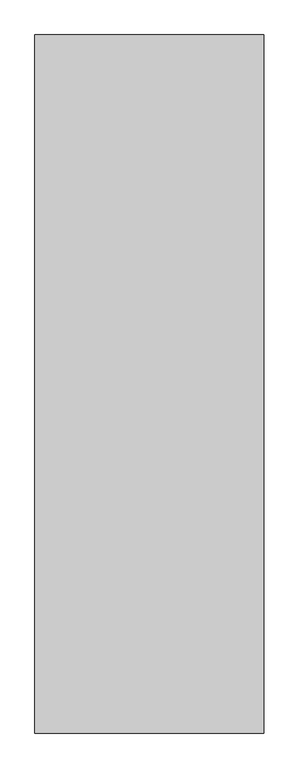
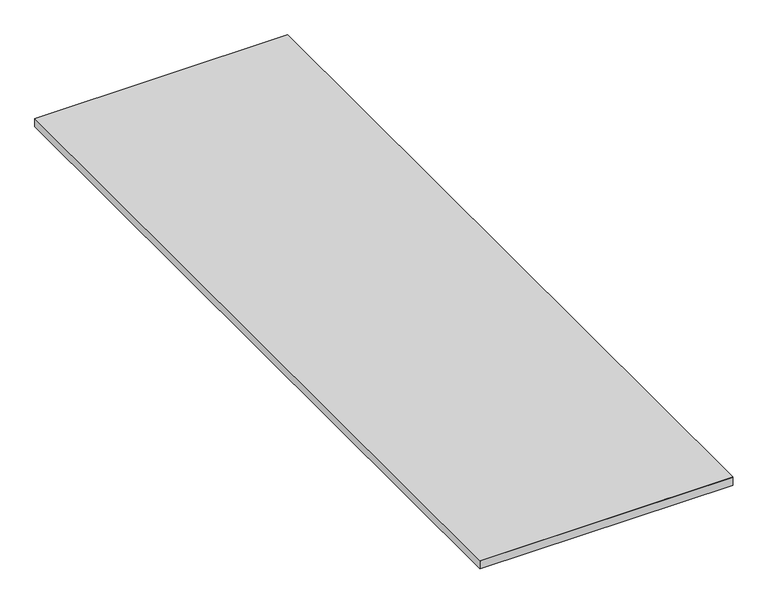
"""IFC4 building model written with IfcOpenShell, lengths in millimetres: furniture geometry."""

import ifcopenshell
import ifcopenshell.guid

model = None  # the IFC model being written
_history = None  # IfcOwnerHistory: only IFC2X3 demands one
_inside = {}  # id of a spatial element -> (the spatial element, [elements in it])
_under = {}  # id of a project, library or spatial element -> (it, [spatial elements below it])
_declared = {}  # id of a project -> (the project, [libraries it declares])
_typed = {}  # id of a type object -> (the type object, [elements of that type])
_made_of = {}  # id of a material, layer set ... -> (it, [elements and type objects made of it])


def new_model(schema):
    """Start an empty IFC model of exactly this schema.

    Asked for "IFC4X3", IfcOpenShell would pick the latest addendum, in which some entities
    have other attributes; the version numbers below select the first issue.
    IFC2X3 requires an IfcOwnerHistory on every rooted entity: one is made here for all.
    """
    global model, _history
    if schema == "IFC4X3":
        model = ifcopenshell.file(schema_version=(4, 3, 0, 0))
    else:
        model = ifcopenshell.file(schema=schema)
    _inside.clear()
    _under.clear()
    _declared.clear()
    _typed.clear()
    _made_of.clear()
    _history = None
    if model.schema == "IFC2X3":
        org = make("IfcOrganization", Name="unknown")
        user = make(
            "IfcPersonAndOrganization",
            ThePerson=make("IfcPerson", FamilyName="unknown"),
            TheOrganization=org,
        )
        app = make(
            "IfcApplication",
            ApplicationDeveloper=org,
            Version="unknown",
            ApplicationFullName="unknown",
            ApplicationIdentifier="unknown",
        )
        _history = make(
            "IfcOwnerHistory",
            OwningUser=user,
            OwningApplication=app,
            ChangeAction="ADDED",
            CreationDate=0,
        )
    return model


def make(cls, **values):
    """One entity of the class cls with the attributes given. An attribute that is None is left unset."""
    return model.create_entity(
        cls, **{name: value for name, value in values.items() if value is not None}
    )


def rooted(cls, **values):
    """An entity with a GlobalId (a new one), such as an element, a storey or a relation."""
    return make(cls, GlobalId=ifcopenshell.guid.new(), OwnerHistory=_history, **values)


def si_unit(unit_type, name, prefix=None):
    """IfcSIUnit, for example si_unit("LENGTHUNIT", "METRE", prefix="MILLI")."""
    return make("IfcSIUnit", UnitType=unit_type, Prefix=prefix, Name=name)


def assignment(units):
    """IfcUnitAssignment: the units of a project."""
    return None if units is None else make("IfcUnitAssignment", Units=units)


def point(xyz):
    """IfcCartesianPoint."""
    return None if xyz is None else make("IfcCartesianPoint", Coordinates=xyz)


def direction(xyz):
    """IfcDirection."""
    return None if xyz is None else make("IfcDirection", DirectionRatios=xyz)


def frame(location, z_axis=None, x_axis=None):
    """IfcAxis2Placement3D, a coordinate frame: its origin and axes. An axis left out is left unset."""
    return make(
        "IfcAxis2Placement3D",
        Location=point(location),
        Axis=direction(z_axis),
        RefDirection=direction(x_axis),
    )


def origin():
    """The frame at (0, 0, 0) with its axes left unset."""
    return frame((0.0, 0.0, 0.0))


def place(relative_to, where):
    """IfcLocalPlacement: puts the frame where relative to a parent placement (None: the world)."""
    return make(
        "IfcLocalPlacement", PlacementRelTo=relative_to, RelativePlacement=where
    )


def context(
    kind, dimensions, precision=None, world=None, true_north=None, identifier=None
):
    """IfcGeometricRepresentationContext, for example the 3D "Model" context."""
    return make(
        "IfcGeometricRepresentationContext",
        ContextIdentifier=identifier,
        ContextType=kind,
        CoordinateSpaceDimension=dimensions,
        Precision=precision,
        WorldCoordinateSystem=world,
        TrueNorth=true_north,
    )


def project(units=None, contexts=None):
    """IfcProject with its units and contexts."""
    return rooted(
        "IfcProject",
        Name="project",
        RepresentationContexts=contexts,
        UnitsInContext=assignment(units),
    )


def spatial(cls, under=None, at=None, **own):
    """A site, building, storey or space (cls), placed at a placement, below another one or the project."""
    s = rooted(cls, ObjectPlacement=at, **own)
    if under is not None:
        _under.setdefault(under.id(), (under, []))[1].append(s)
    return s


def polyline(points):
    """IfcPolyline through the points."""
    return make("IfcPolyline", Points=[point(p) for p in points])


def outline(outer, holes=None, kind="AREA"):
    """IfcArbitraryClosedProfileDef: a profile drawn as a closed curve; with holes, ...WithVoids."""
    if holes is None:
        return make("IfcArbitraryClosedProfileDef", ProfileType=kind, OuterCurve=outer)
    return make(
        "IfcArbitraryProfileDefWithVoids",
        ProfileType=kind,
        OuterCurve=outer,
        InnerCurves=holes,
    )


def extrude(swept, where, along, depth):
    """IfcExtrudedAreaSolid: the profile swept, set in the frame where, extruded along a direction by depth."""
    return make(
        "IfcExtrudedAreaSolid",
        SweptArea=swept,
        Position=where,
        ExtrudedDirection=direction(along),
        Depth=depth,
    )


def shape(context_of_items, identifier, shape_type, items):
    """IfcShapeRepresentation: the items that make up one representation, for example the "Body"."""
    return make(
        "IfcShapeRepresentation",
        ContextOfItems=context_of_items,
        RepresentationIdentifier=identifier,
        RepresentationType=shape_type,
        Items=items,
    )


def source(mapping_origin, context_of_items, identifier, shape_type, items):
    """IfcRepresentationMap: a shape defined once, which mapped items show again and again."""
    return make(
        "IfcRepresentationMap",
        MappingOrigin=mapping_origin,
        MappedRepresentation=shape(context_of_items, identifier, shape_type, items),
    )


def transform(
    local_origin,
    x_axis=None,
    y_axis=None,
    z_axis=None,
    scale=None,
    scale2=None,
    scale3=None,
    uniform=True,
):
    """IfcCartesianTransformationOperator3D, or its non-uniform kind. x_axis, y_axis, z_axis: its Axis1, 2, 3."""
    if uniform:
        return make(
            "IfcCartesianTransformationOperator3D",
            Axis1=direction(x_axis),
            Axis2=direction(y_axis),
            LocalOrigin=point(local_origin),
            Scale=scale,
            Axis3=direction(z_axis),
        )
    return make(
        "IfcCartesianTransformationOperator3DnonUniform",
        Axis1=direction(x_axis),
        Axis2=direction(y_axis),
        LocalOrigin=point(local_origin),
        Scale=scale,
        Axis3=direction(z_axis),
        Scale2=scale2,
        Scale3=scale3,
    )


def mapped(mapping_source, mapping_target):
    """IfcMappedItem: shows the shape of a source again, moved by a transform."""
    return make(
        "IfcMappedItem", MappingSource=mapping_source, MappingTarget=mapping_target
    )


def made_of(thing, what):
    """Note that an element or type object is made of a material, layer set ...; save() writes the relation."""
    if what is not None:
        _made_of.setdefault(what.id(), (what, []))[1].append(thing)
    return thing


def element(
    cls,
    number,
    at=None,
    inside=None,
    cuts=None,
    type_object=None,
    material=None,
    context=None,
    identifier="Body",
    shape_type=None,
    held_by="IfcProductDefinitionShape",
    body=None,
    shapes=None,
    **own,
):
    """One element of the class cls, such as IfcWall. Its Tag is "e" and its number.

    at: its placement. inside: the storey or other place that contains it. cuts: it is an
    opening in that element (IfcRelVoidsElement). A single representation is given by context,
    identifier, shape_type and body (its items); several are given by shapes. held_by: the class
    of the entity that holds the representations. save() writes the other relations.
    """
    e = rooted(cls, Tag="e%d" % number, ObjectPlacement=at, **own)
    if body is not None:
        shapes = [shape(context, identifier, shape_type, body)]
    if shapes is not None:
        e.Representation = make(held_by, Representations=shapes)
    if inside is not None:
        _inside.setdefault(inside.id(), (inside, []))[1].append(e)
    if cuts is not None:
        rooted(
            "IfcRelVoidsElement", RelatingBuildingElement=cuts, RelatedOpeningElement=e
        )
    if type_object is not None:
        _typed.setdefault(type_object.id(), (type_object, []))[1].append(e)
    return made_of(e, material)


def aggregate(whole, parts):
    """IfcRelAggregates: a whole, such as a stair, and the parts it consists of."""
    return rooted("IfcRelAggregates", RelatingObject=whole, RelatedObjects=parts)


def save(model, path):
    """Write the relations noted so far, then the file.

    IfcRelAggregates (storeys below a building ...), IfcRelContainedInSpatialStructure (elements
    in a storey), IfcRelDefinesByType, IfcRelAssociatesMaterial and IfcRelDeclares: one each for
    every whole, place, type object, material and project.
    """
    for whole, parts in _under.values():
        aggregate(whole, parts)
    for where, things in _inside.values():
        rooted(
            "IfcRelContainedInSpatialStructure",
            RelatedElements=things,
            RelatingStructure=where,
        )
    for kind, things in _typed.values():
        rooted("IfcRelDefinesByType", RelatedObjects=things, RelatingType=kind)
    for what, things in _made_of.values():
        rooted("IfcRelAssociatesMaterial", RelatedObjects=things, RelatingMaterial=what)
    for by, libraries in _declared.values():
        rooted("IfcRelDeclares", RelatingContext=by, RelatedDefinitions=libraries)
    model.write(path)


def furniture_4513d69d(model_context):
    return source(origin(), model_context, "Body", "SweptSolid", [
        extrude(outline(polyline([(1647.6329975, 15284.3577595), (2562.0329975, 15284.3577595), (2562.0329975, 12494.3577595), (1647.6329975, 12494.3577595), (1647.6329975, 15284.3577595)])), frame((0.0, 0.0, 1059.7), z_axis=(0.0, 0.0, 1.0), x_axis=(1.0, 0.0, 0.0)), (0.0, 0.0, 1.0), 1.0),
        extrude(outline(polyline([(2562.0329975, 15284.3577595), (2562.0329975, 12494.3577595), (1647.6329975, 12494.3577595), (1647.6329975, 15284.3577595), (2562.0329975, 15284.3577595)]), holes=[polyline([(1648.1329975, 12494.8577595), (2561.5329975, 12494.8577595), (2561.5329975, 15283.8577595), (1648.1329975, 15283.8577595), (1648.1329975, 12494.8577595)])]), frame((0.0, 0.0, 1028.7), z_axis=(0.0, 0.0, 1.0), x_axis=(1.0, 0.0, 0.0)), (0.0, 0.0, 1.0), 31.0),
    ])


if __name__ == "__main__":
    model = new_model("IFC4")
    model_context = context("Model", 3, world=origin())
    ifc_project = project(units=[si_unit("LENGTHUNIT", "METRE", prefix="MILLI")], contexts=[model_context])
    site = spatial("IfcSite", under=ifc_project)
    building = spatial("IfcBuilding", under=site)
    placement = place(None, origin())
    furniture_shape = furniture_4513d69d(model_context)
    element("IfcFurniture", 1, at=placement, inside=building, context=model_context, shape_type="MappedRepresentation", body=[
        mapped(furniture_shape, transform((0.0, 0.0, 0.0), x_axis=(1.0, 0.0, 0.0), y_axis=(0.0, 1.0, 0.0), z_axis=(0.0, 0.0, 1.0))),
    ])
    save(model, "model.ifc")
